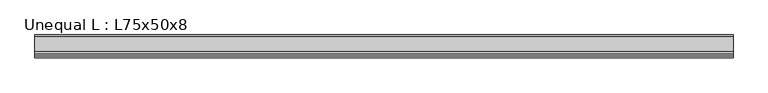
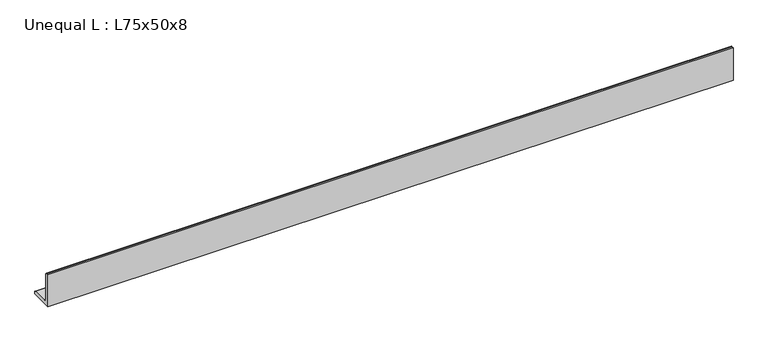
"""IFC4 building model written with IfcOpenShell, lengths in millimetres: beam geometry, Unequal L : L75x50x8."""

from ifc_helpers import new_model, si_unit, point, frame, frame_2d, origin, place, context, project, spatial, polyline, circle_curve, trimmed, segment, composite_curve, outline, extrude, source, transform, mapped, element, save


def unequal_l_l75x50x8_430e4f22(model_context):
    return source(origin(), model_context, "Body", "SweptSolid", [
        extrude(outline(composite_curve([segment(polyline([(-12.9, -25.2), (-12.9, 49.8), (-8.4, 49.8)]), True, "CONTINUOUS"), segment(trimmed(circle_curve(frame_2d((-8.4, 46.3)), 3.5), [point((-8.4, 49.8))], [point((-4.9, 46.3))], False, "CARTESIAN"), True, "CONTINUOUS"), segment(polyline([(-4.9, 46.3), (-4.9, -10.2)]), True, "CONTINUOUS"), segment(trimmed(circle_curve(frame_2d((2.1, -10.2)), 7.0), [point((-4.9, -10.2))], [point((2.1, -17.2))], True, "CARTESIAN"), True, "CONTINUOUS"), segment(polyline([(2.1, -17.2), (33.6, -17.2)]), True, "CONTINUOUS"), segment(trimmed(circle_curve(frame_2d((33.6, -20.7)), 3.5), [point((33.6, -17.2))], [point((37.1, -20.7))], False, "CARTESIAN"), True, "CONTINUOUS"), segment(polyline([(37.1, -20.7), (37.1, -25.2), (-12.9, -25.2)]), True, "CONTINUOUS")], self_intersect=False)), frame((-806.5, 0.0, 0.0), z_axis=(1.0, 0.0, 0.0), x_axis=(0.0, 1.0, 0.0)), (0.0, 0.0, 1.0), 1513.0),
    ])


if __name__ == "__main__":
    model = new_model("IFC4")
    model_context = context("Model", 3, world=origin())
    ifc_project = project(units=[si_unit("LENGTHUNIT", "METRE", prefix="MILLI")], contexts=[model_context])
    site = spatial("IfcSite", under=ifc_project)
    building = spatial("IfcBuilding", under=site)
    placement = place(None, origin())
    unequal_l_l75x50x8_shape = unequal_l_l75x50x8_430e4f22(model_context)
    element("IfcBeam", 1, ObjectType="Unequal L : L75x50x8", at=placement, inside=building, context=model_context, shape_type="MappedRepresentation", body=[
        mapped(unequal_l_l75x50x8_shape, transform((0.0, 0.0, 0.0), x_axis=(1.0, 0.0, 0.0), y_axis=(0.0, 1.0, 0.0), z_axis=(0.0, 0.0, 1.0))),
    ])
    save(model, "model.ifc")
